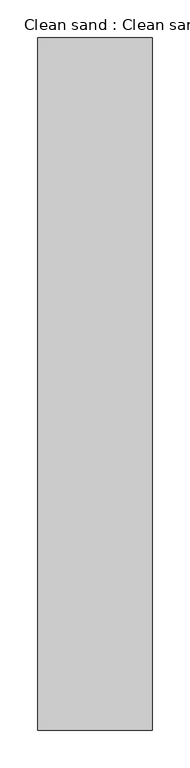
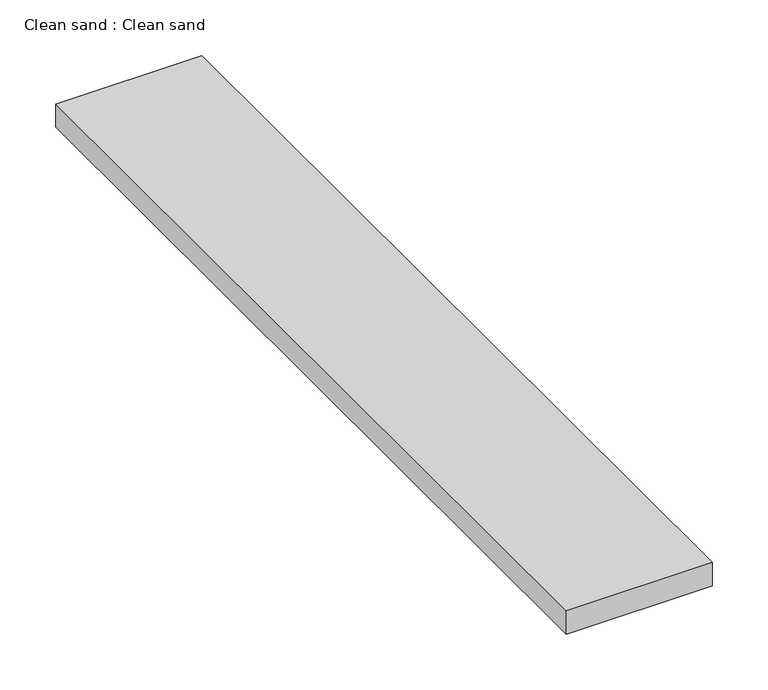
"""IFC4 building model written with IfcOpenShell, lengths in millimetres: proxy geometry, Clean sand : Clean sand."""

from ifc_helpers import new_model, si_unit, frame, origin, place, context, project, spatial, polyline, outline, extrude, source, transform, mapped, element, save


def clean_sand_clean_sand_b9005d04(model_context):
    return source(origin(), model_context, "Body", "SweptSolid", [
        extrude(outline(polyline([(37682.2530211, -18662.4264268), (37833.0859375, -18662.4264268), (37833.0859375, -19576.8264268), (37682.2530211, -19576.8264268), (37682.2530211, -18662.4264268)])), frame((0.0, 0.0, 432.5835418), z_axis=(0.0, 0.0, 1.0), x_axis=(1.0, 0.0, 0.0)), (0.0, 0.0, 1.0), 25.4),
    ])


if __name__ == "__main__":
    model = new_model("IFC4")
    model_context = context("Model", 3, world=origin())
    ifc_project = project(units=[si_unit("LENGTHUNIT", "METRE", prefix="MILLI")], contexts=[model_context])
    site = spatial("IfcSite", under=ifc_project)
    building = spatial("IfcBuilding", under=site)
    placement = place(None, origin())
    clean_sand_clean_sand_shape = clean_sand_clean_sand_b9005d04(model_context)
    element("IfcBuildingElementProxy", 1, Name="Clean sand : Clean sand", ObjectType="Clean sand : Clean sand", at=placement, inside=building, context=model_context, shape_type="MappedRepresentation", body=[
        mapped(clean_sand_clean_sand_shape, transform((0.0, 0.0, 0.0), x_axis=(1.0, 0.0, 0.0), y_axis=(0.0, 1.0, 0.0), z_axis=(0.0, 0.0, 1.0))),
    ])
    save(model, "model.ifc")
